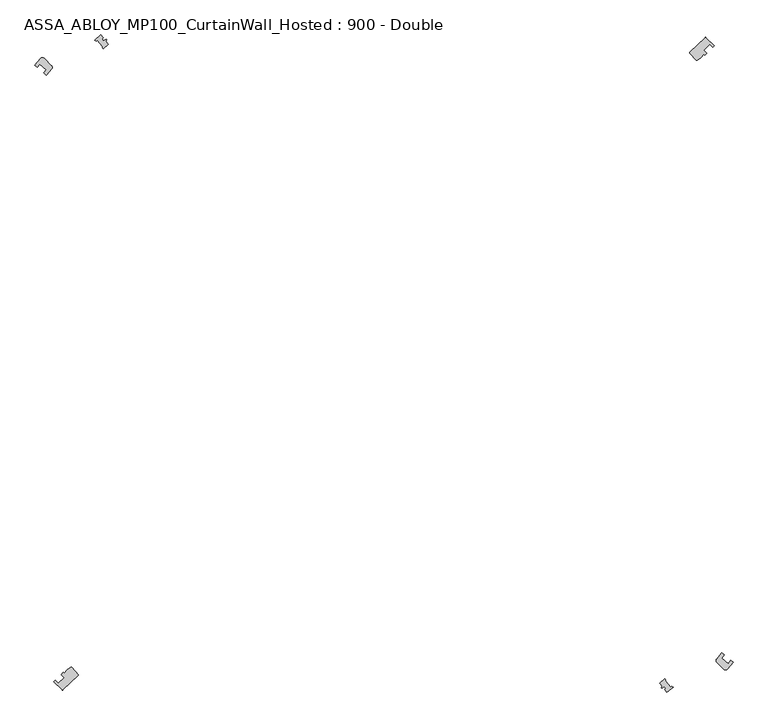
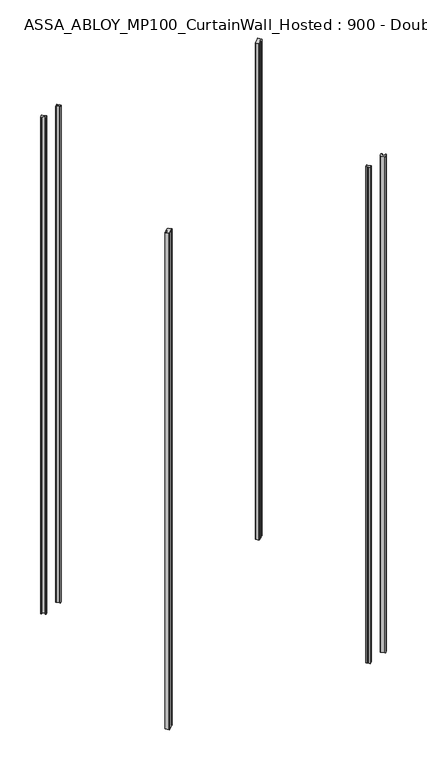
"""IFC4 building model written with IfcOpenShell, lengths in millimetres: plate geometry, ASSA_ABLOY_MP100_CurtainWall_Hosted : 900 - Double."""

from ifc_helpers import new_model, si_unit, point, frame_2d, origin, origin_with_axes, origin_2d, place, context, project, spatial, polyline, circle_curve, trimmed, segment, composite_curve, outline, extrude, source, transform, mapped, element, save


def assa_abloy_mp100_curtainwall_hosted_900_double_37afba6d(model_context):
    return source(origin(), model_context, "Body", "SweptSolid", [
        extrude(outline(composite_curve([segment(polyline([(502.8022851, 512.4185214), (528.0105826, 536.273582)]), True, "CONTINUOUS"), segment(trimmed(circle_curve(frame_2d((528.697925, 535.5472484)), 1.0), [point((528.0105826, 536.273582))], [point((529.4010549, 536.2583099))], False, "CARTESIAN"), True, "CONTINUOUS"), segment(trimmed(circle_curve(frame_2d((-78.4888527, -78.4888527)), 864.5485606), [point((529.4010549, 536.2583099))], [point((542.7323222, 522.7835194))], False, "CARTESIAN"), True, "CONTINUOUS"), segment(polyline([(542.7323222, 522.7835194), (540.5766729, 520.6970928)]), True, "CONTINUOUS"), segment(trimmed(circle_curve(frame_2d((-78.4888527, -78.4888527)), 861.5485606), [point((540.5766729, 520.6970928))], [point((535.6879103, 525.7071635))], True, "CARTESIAN"), True, "CONTINUOUS"), segment(polyline([(535.6879103, 525.7071635), (525.6278759, 515.9701793)]), True, "CONTINUOUS"), segment(trimmed(circle_curve(frame_2d((-78.4888527, -78.4888527)), 847.5485606), [point((525.6278759, 515.9701793))], [point((530.516976, 510.9604353))], False, "CARTESIAN"), True, "CONTINUOUS"), segment(polyline([(530.516976, 510.9604353), (527.0458362, 507.6007616), (525.561018, 509.1735132), (521.5644525, 504.0728199)]), True, "CONTINUOUS"), segment(trimmed(circle_curve(frame_2d((518.4158467, 506.5398589)), 4.0), [point((521.5644525, 504.0728199))], [point((520.705581, 503.2600545))], False, "CARTESIAN"), True, "CONTINUOUS"), segment(polyline([(520.705581, 503.2600545), (514.7589131, 499.1084991)]), True, "CONTINUOUS"), segment(trimmed(circle_curve(frame_2d((514.4871056, 500.0708508)), 1.0), [point((514.7589131, 499.1084991))], [point((513.760772, 499.3835084))], False, "CARTESIAN"), True, "CONTINUOUS"), segment(polyline([(513.760772, 499.3835084), (502.7632939, 511.0048455)]), True, "CONTINUOUS"), segment(trimmed(circle_curve(frame_2d((503.4896275, 511.6921878)), 1.0), [point((502.7632939, 511.0048455))], [point((502.8022851, 512.4185214))], False, "CARTESIAN"), True, "CONTINUOUS")], self_intersect=False)), origin_with_axes(), (0.0, 0.0, 1.0), 2600.0),
        extrude(outline(composite_curve([segment(polyline([(-502.8022851, -512.4185214), (-528.0105826, -536.273582)]), True, "CONTINUOUS"), segment(trimmed(circle_curve(frame_2d((-528.697925, -535.5472484)), 1.0), [point((-528.0105826, -536.273582))], [point((-529.4010549, -536.2583099))], False, "CARTESIAN"), True, "CONTINUOUS"), segment(trimmed(circle_curve(frame_2d((78.4888527, 78.4888527)), 864.5485606), [point((-529.4010549, -536.2583099))], [point((-542.7323222, -522.7835194))], False, "CARTESIAN"), True, "CONTINUOUS"), segment(polyline([(-542.7323222, -522.7835194), (-540.5766729, -520.6970928)]), True, "CONTINUOUS"), segment(trimmed(circle_curve(frame_2d((78.4888527, 78.4888527)), 861.5485606), [point((-540.5766729, -520.6970928))], [point((-535.6879103, -525.7071635))], True, "CARTESIAN"), True, "CONTINUOUS"), segment(polyline([(-535.6879103, -525.7071635), (-525.6278759, -515.9701793)]), True, "CONTINUOUS"), segment(trimmed(circle_curve(frame_2d((78.4888527, 78.4888527)), 847.5485606), [point((-525.6278759, -515.9701793))], [point((-530.516976, -510.9604353))], False, "CARTESIAN"), True, "CONTINUOUS"), segment(polyline([(-530.516976, -510.9604353), (-527.0458362, -507.6007616), (-525.561018, -509.1735132), (-521.5644525, -504.0728199)]), True, "CONTINUOUS"), segment(trimmed(circle_curve(frame_2d((-518.4158467, -506.5398589)), 4.0), [point((-521.5644525, -504.0728199))], [point((-520.705581, -503.2600545))], False, "CARTESIAN"), True, "CONTINUOUS"), segment(polyline([(-520.705581, -503.2600545), (-514.7589131, -499.1084991)]), True, "CONTINUOUS"), segment(trimmed(circle_curve(frame_2d((-514.4871056, -500.0708508)), 1.0), [point((-514.7589131, -499.1084991))], [point((-513.760772, -499.3835084))], False, "CARTESIAN"), True, "CONTINUOUS"), segment(polyline([(-513.760772, -499.3835084), (-502.7632939, -511.0048455)]), True, "CONTINUOUS"), segment(trimmed(circle_curve(frame_2d((-503.4896275, -511.6921878)), 1.0), [point((-502.7632939, -511.0048455))], [point((-502.8022851, -512.4185214))], False, "CARTESIAN"), True, "CONTINUOUS")], self_intersect=False)), origin_with_axes(), (0.0, 0.0, 1.0), 2600.0),
        extrude(outline(composite_curve([segment(polyline([(-574.0446278, 490.6398228), (-564.3824145, 502.3973623)]), True, "CONTINUOUS"), segment(trimmed(circle_curve(frame_2d((-561.6767137, 499.4513169)), 4.0), [point((-564.3824145, 502.3973623))], [point((-558.8482865, 502.2797441))], False, "CARTESIAN"), True, "CONTINUOUS"), segment(polyline([(-558.8482865, 502.2797441), (-546.8771921, 490.3086496)]), True, "CONTINUOUS"), segment(trimmed(circle_curve(frame_2d((-549.7056192, 487.4802224)), 4.0), [point((-546.8771921, 490.3086496))], [point((-546.6151944, 484.9406802))], False, "CARTESIAN"), True, "CONTINUOUS"), segment(polyline([(-546.6151944, 484.9406802), (-555.1809085, 474.5168744), (-559.9038649, 478.5536172)]), True, "CONTINUOUS"), segment(trimmed(circle_curve(origin_2d(), 736.55), [point((-559.9038649, 478.5536172))], [point((-555.3305163, 483.853201))], False, "CARTESIAN"), True, "CONTINUOUS"), segment(polyline([(-555.3305163, 483.853201), (-565.9733804, 492.9497289)]), True, "CONTINUOUS"), segment(trimmed(circle_curve(origin_2d(), 750.55), [point((-565.9733804, 492.9497289))], [point((-570.5462573, 487.6497419))], True, "CARTESIAN"), True, "CONTINUOUS"), segment(polyline([(-570.5462573, 487.6497419), (-574.0446278, 490.6398228)]), True, "CONTINUOUS")], self_intersect=False)), origin_with_axes(), (0.0, 0.0, 1.0), 2600.0),
        extrude(outline(composite_curve([segment(polyline([(574.0472043, -490.6366708), (564.3823376, -502.3974391)]), True, "CONTINUOUS"), segment(trimmed(circle_curve(frame_2d((561.676266, -499.4735295)), 3.9839768), [point((564.3823376, -502.3974391))], [point((558.859169, -502.2906265))], False, "CARTESIAN"), True, "CONTINUOUS"), segment(polyline([(558.859169, -502.2906265), (547.4269581, -490.8584156)]), True, "CONTINUOUS"), segment(trimmed(circle_curve(frame_2d((550.2553852, -488.0299885)), 4.0), [point((547.4269581, -490.8584156))], [point((547.1649605, -485.4904462))], False, "CARTESIAN"), True, "CONTINUOUS"), segment(polyline([(547.1649605, -485.4904462), (555.7717345, -475.0166737), (559.90535, -478.5496643)]), True, "CONTINUOUS"), segment(trimmed(circle_curve(origin_2d(), 736.5485606), [point((559.90535, -478.5496643))], [point((555.3320299, -483.8492727))], False, "CARTESIAN"), True, "CONTINUOUS"), segment(polyline([(555.3320299, -483.8492727), (565.974943, -492.9457432)]), True, "CONTINUOUS"), segment(trimmed(circle_curve(origin_2d(), 750.5485606), [point((565.974943, -492.9457432))], [point((570.5477914, -487.6457316))], True, "CARTESIAN"), True, "CONTINUOUS"), segment(polyline([(570.5477914, -487.6457316), (574.0472043, -490.6366708)]), True, "CONTINUOUS")], self_intersect=False)), origin_with_axes(), (0.0, 0.0, 1.0), 2600.0),
        extrude(outline(composite_curve([segment(polyline([(-457.5134606, 530.6384333), (-453.0517381, 525.0584468)]), True, "CONTINUOUS"), segment(trimmed(circle_curve(origin_2d(), 693.5), [point((-453.0517381, 525.0584468))], [point((-461.2779056, 517.8464481))], True, "CARTESIAN"), True, "CONTINUOUS"), segment(polyline([(-461.2779056, 517.8464481), (-463.5987309, 520.1672734), (-462.5567784, 521.000412), (-471.2998004, 531.9347417), (-473.5594208, 530.1279633), (-475.5324218, 532.1009643)]), True, "CONTINUOUS"), segment(trimmed(circle_curve(origin_2d(), 713.6263171), [point((-475.5324218, 532.1009643))], [point((-465.6292108, 540.7882751))], False, "CARTESIAN"), True, "CONTINUOUS"), segment(polyline([(-465.6292108, 540.7882751), (-461.5727208, 535.7150864), (-463.5252797, 534.1538325), (-461.3395242, 531.4202501), (-456.597733, 533.4963848), (-455.9792385, 532.7228738), (-457.5134606, 530.6384333)]), True, "CONTINUOUS")], self_intersect=False)), origin_with_axes(), (0.0, 0.0, 1.0), 2600.0),
        extrude(outline(composite_curve([segment(polyline([(457.2445492, -530.3695219), (453.0517381, -525.0584468)]), True, "CONTINUOUS"), segment(trimmed(circle_curve(origin_2d(), 693.5), [point((453.0517381, -525.0584468))], [point((461.2779056, -517.8464481))], True, "CARTESIAN"), True, "CONTINUOUS"), segment(polyline([(461.2779056, -517.8464481), (463.5987309, -520.1672734), (462.5567784, -521.000412), (471.2998004, -531.9347418), (473.5594208, -530.1279633), (475.2638351, -531.8323776)]), True, "CONTINUOUS"), segment(trimmed(circle_curve(origin_2d(), 713.2470755), [point((475.2638351, -531.8323776))], [point((465.3602994, -540.5193636))], False, "CARTESIAN"), True, "CONTINUOUS"), segment(polyline([(465.3602994, -540.5193636), (461.3038094, -535.446175), (463.2563683, -533.8849211), (461.0706128, -531.1513387), (456.3288216, -533.2274733), (455.710327, -532.4539624), (457.2445492, -530.3695219)]), True, "CONTINUOUS")], self_intersect=False)), origin_with_axes(), (0.0, 0.0, 1.0), 2600.0),
    ])


if __name__ == "__main__":
    model = new_model("IFC4")
    model_context = context("Model", 3, world=origin())
    ifc_project = project(units=[si_unit("LENGTHUNIT", "METRE", prefix="MILLI")], contexts=[model_context])
    site = spatial("IfcSite", under=ifc_project)
    building = spatial("IfcBuilding", under=site)
    placement = place(None, origin())
    assa_abloy_mp100_curtainwall_hosted_900_double_shape = assa_abloy_mp100_curtainwall_hosted_900_double_37afba6d(model_context)
    element("IfcPlate", 1, ObjectType="ASSA_ABLOY_MP100_CurtainWall_Hosted : 900 - Double", at=placement, inside=building, context=model_context, shape_type="MappedRepresentation", body=[
        mapped(assa_abloy_mp100_curtainwall_hosted_900_double_shape, transform((0.0, 0.0, 0.0), x_axis=(1.0, 0.0, 0.0), y_axis=(0.0, 1.0, 0.0), z_axis=(0.0, 0.0, 1.0))),
    ])
    save(model, "model.ifc")
